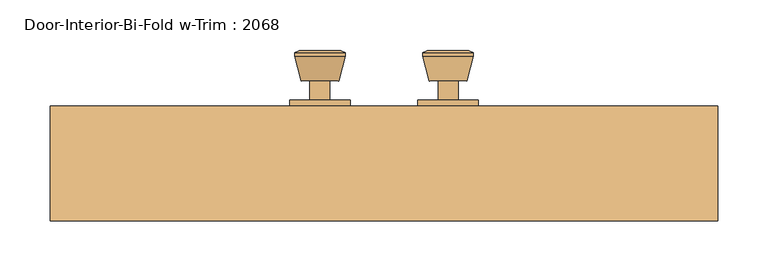
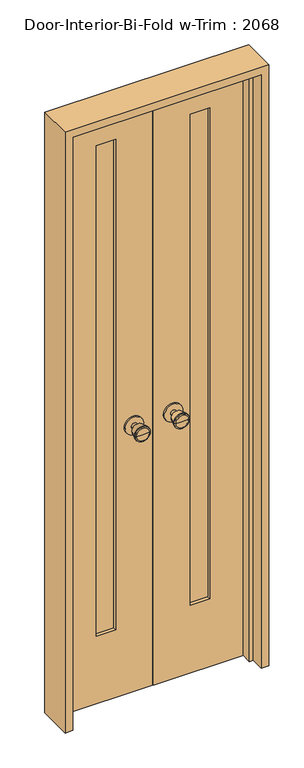
"""IFC4 building model written with IfcOpenShell, lengths in millimetres: door geometry, Door-Interior-Bi-Fold w-Trim : 2068."""

from ifc_helpers import new_model, si_unit, point, frame, frame_2d, origin, place, context, project, spatial, polyline, circle_curve, trimmed, segment, composite_curve, outline, extrude, faceted_brep, source, transform, mapped, element, save
from ifc_brep_helpers import plane_surface, cylinder_surface, revolved_surface, advanced_brep


def door_interior_bi_fold_w_trim_2068_fa734d8c(model_context):
    return source(origin(), model_context, "Body", "SolidModel", [
        advanced_brep(
        [(-63.5, 59.975, 914.4), (-73.5, 59.975, 914.4), (-53.5, 59.975, 914.4), (-83.9758676, 108.975, 914.4), (-63.5, 108.975, 914.4), (-43.0241324, 108.975, 914.4), (-88.5, 107.1471319, 914.4), (-38.5, 107.1471319, 914.4), (-88.5, 103.6834537, 914.4), (-38.5, 103.6834537, 914.4), (-82.136236, 78.975, 914.4), (-44.863764, 78.975, 914.4), (-73.5, 78.975, 914.4), (-53.5, 78.975, 914.4)],
        [
            (0, 1),
            (1, 2, circle_curve(frame((-63.5, 59.975, 914.4), z_axis=(0.0, -1.0, 0.0), x_axis=(1.0, 0.0, 0.0)), 10.0)),
            (2, 0),
            (2, 1, circle_curve(frame((-63.5, 59.975, 914.4), z_axis=(0.0, -1.0, 0.0), x_axis=(1.0, 0.0, 0.0)), 10.0)),
            (3, 4),
            (4, 5),
            (5, 3, circle_curve(frame((-63.5, 108.975, 914.4), z_axis=(0.0, 1.0, 0.0), x_axis=(1.0, 0.0, 0.0)), 20.4758676)),
            (3, 5, circle_curve(frame((-63.5, 108.975, 914.4), z_axis=(0.0, 1.0, 0.0), x_axis=(1.0, 0.0, 0.0)), 20.4758676)),
            (6, 3),
            (5, 7),
            (7, 6, circle_curve(frame((-63.5, 107.1471319, 914.4), z_axis=(0.0, 1.0, 0.0), x_axis=(1.0, 0.0, 0.0)), 25.0)),
            (6, 7, circle_curve(frame((-63.5, 107.1471319, 914.4), z_axis=(0.0, 1.0, 0.0), x_axis=(1.0, 0.0, 0.0)), 25.0)),
            (8, 6),
            (7, 9),
            (9, 8, circle_curve(frame((-63.5, 103.6834537, 914.4), z_axis=(0.0, 1.0, 0.0), x_axis=(1.0, 0.0, 0.0)), 25.0)),
            (8, 9, circle_curve(frame((-63.5, 103.6834537, 914.4), z_axis=(0.0, 1.0, 0.0), x_axis=(1.0, 0.0, 0.0)), 25.0)),
            (10, 8),
            (9, 11),
            (11, 10, circle_curve(frame((-63.5, 78.975, 914.4), z_axis=(0.0, 1.0, 0.0), x_axis=(1.0, 0.0, 0.0)), 18.636236)),
            (10, 11, circle_curve(frame((-63.5, 78.975, 914.4), z_axis=(0.0, 1.0, 0.0), x_axis=(1.0, 0.0, 0.0)), 18.636236)),
            (12, 10),
            (11, 13),
            (13, 12, circle_curve(frame((-63.5, 78.975, 914.4), z_axis=(0.0, 1.0, 0.0), x_axis=(1.0, 0.0, 0.0)), 10.0)),
            (12, 13, circle_curve(frame((-63.5, 78.975, 914.4), z_axis=(0.0, 1.0, 0.0), x_axis=(1.0, 0.0, 0.0)), 10.0)),
            (1, 12),
            (13, 2),
        ],
        [
            plane_surface(frame((-63.5, 59.975, 914.4), z_axis=(0.0, -1.0, 0.0), x_axis=(1.0, 0.0, 0.0))),
            plane_surface(frame((-63.5, 108.975, 914.4), z_axis=(0.0, 1.0, 0.0), x_axis=(1.0, 0.0, 0.0))),
            revolved_surface(polyline([(-43.0241324, 108.975, 914.4), (-38.5, 107.1471319, 914.4)]), (-63.5, 59.975, 914.4), (0.0, -1.0, 0.0)),
            cylinder_surface(frame((-63.5, 59.975, 914.4), z_axis=(0.0, -1.0, 0.0), x_axis=(1.0, 0.0, 0.0)), 25.0),
            revolved_surface(polyline([(-38.5, 103.6834537, 914.4), (-44.863764, 78.975, 914.4)]), (-63.5, 59.975, 914.4), (0.0, -1.0, 0.0)),
            plane_surface(frame((-63.5, 78.975, 914.4), z_axis=(0.0, -1.0, 0.0), x_axis=(1.0, 0.0, 0.0))),
            cylinder_surface(frame((-63.5, 59.975, 914.4), z_axis=(0.0, -1.0, 0.0), x_axis=(1.0, 0.0, 0.0)), 10.0),
        ],
        [
            (0, [[1, 2, 3]]),
            (0, [[-3, 4, -1]]),
            (1, [[5, 6, 7]]),
            (1, [[-6, -5, 8]]),
            (2, [[9, -7, 10, 11]]),
            (2, [[-10, -8, -9, 12]]),
            (3, [[13, -11, 14, 15]]),
            (3, [[-14, -12, -13, 16]]),
            (4, [[17, -15, 18, 19]]),
            (4, [[-18, -16, -17, 20]]),
            (5, [[21, -19, 22, 23]]),
            (5, [[-22, -20, -21, 24]]),
            (6, [[25, -23, 26, -2]]),
            (6, [[-26, -24, -25, -4]]),
        ],
    ),
        extrude(outline(composite_curve([segment(trimmed(circle_curve(frame_2d((914.4, -63.5)), 30.0), [point((914.4, -33.5))], [point((914.4, -93.5))], False, "CARTESIAN"), True, "CONTINUOUS"), segment(trimmed(circle_curve(frame_2d((914.4, -63.5)), 30.0), [point((914.4, -93.5))], [point((914.4, -33.5))], False, "CARTESIAN"), True, "CONTINUOUS")], self_intersect=False)), frame((0.0, 53.975, 0.0), z_axis=(0.0, 1.0, 0.0), x_axis=(0.0, 0.0, 1.0)), (0.0, 0.0, 1.0), 6.0),
        advanced_brep(
        [(-63.5, 13.05, 914.4), (-53.5, 13.05, 914.4), (-73.5, 13.05, 914.4), (-83.9758676, -35.95, 914.4), (-43.0241324, -35.95, 914.4), (-63.5, -35.95, 914.4), (-88.5, -34.1221319, 914.4), (-38.5, -34.1221319, 914.4), (-88.5, -30.6584537, 914.4), (-38.5, -30.6584537, 914.4), (-82.136236, -5.95, 914.4), (-44.863764, -5.95, 914.4), (-73.5, -5.95, 914.4), (-53.5, -5.95, 914.4)],
        [
            (0, 1),
            (1, 2, circle_curve(frame((-63.5, 13.05, 914.4), z_axis=(0.0, 1.0, 0.0), x_axis=(1.0, 0.0, 0.0)), 10.0)),
            (2, 0),
            (2, 1, circle_curve(frame((-63.5, 13.05, 914.4), z_axis=(0.0, 1.0, 0.0), x_axis=(1.0, 0.0, 0.0)), 10.0)),
            (3, 4, circle_curve(frame((-63.5, -35.95, 914.4), z_axis=(0.0, -1.0, 0.0), x_axis=(1.0, 0.0, 0.0)), 20.4758676)),
            (4, 5),
            (5, 3),
            (4, 3, circle_curve(frame((-63.5, -35.95, 914.4), z_axis=(0.0, -1.0, 0.0), x_axis=(1.0, 0.0, 0.0)), 20.4758676)),
            (6, 7, circle_curve(frame((-63.5, -34.1221319, 914.4), z_axis=(0.0, -1.0, 0.0), x_axis=(1.0, 0.0, 0.0)), 25.0)),
            (7, 4),
            (3, 6),
            (7, 6, circle_curve(frame((-63.5, -34.1221319, 914.4), z_axis=(0.0, -1.0, 0.0), x_axis=(1.0, 0.0, 0.0)), 25.0)),
            (8, 9, circle_curve(frame((-63.5, -30.6584537, 914.4), z_axis=(0.0, -1.0, 0.0), x_axis=(1.0, 0.0, 0.0)), 25.0)),
            (9, 7),
            (6, 8),
            (9, 8, circle_curve(frame((-63.5, -30.6584537, 914.4), z_axis=(0.0, -1.0, 0.0), x_axis=(1.0, 0.0, 0.0)), 25.0)),
            (10, 11, circle_curve(frame((-63.5, -5.95, 914.4), z_axis=(0.0, -1.0, 0.0), x_axis=(1.0, 0.0, 0.0)), 18.636236)),
            (11, 9),
            (8, 10),
            (11, 10, circle_curve(frame((-63.5, -5.95, 914.4), z_axis=(0.0, -1.0, 0.0), x_axis=(1.0, 0.0, 0.0)), 18.636236)),
            (12, 13, circle_curve(frame((-63.5, -5.95, 914.4), z_axis=(0.0, -1.0, 0.0), x_axis=(1.0, 0.0, 0.0)), 10.0)),
            (13, 11),
            (10, 12),
            (13, 12, circle_curve(frame((-63.5, -5.95, 914.4), z_axis=(0.0, -1.0, 0.0), x_axis=(1.0, 0.0, 0.0)), 10.0)),
            (1, 13),
            (12, 2),
        ],
        [
            plane_surface(frame((-63.5, 13.05, 914.4), z_axis=(0.0, 1.0, 0.0), x_axis=(1.0, 0.0, 0.0))),
            plane_surface(frame((-63.5, -35.95, 914.4), z_axis=(0.0, -1.0, 0.0), x_axis=(1.0, 0.0, 0.0))),
            revolved_surface(polyline([(-43.0241324, -35.95, 914.4), (-38.5, -34.1221319, 914.4)]), (-63.5, 13.05, 914.4), (0.0, 1.0, 0.0)),
            cylinder_surface(frame((-63.5, 13.05, 914.4), z_axis=(0.0, 1.0, 0.0), x_axis=(1.0, 0.0, 0.0)), 25.0),
            revolved_surface(polyline([(-38.5, -30.6584537, 914.4), (-44.863764, -5.95, 914.4)]), (-63.5, 13.05, 914.4), (0.0, 1.0, 0.0)),
            plane_surface(frame((-63.5, -5.95, 914.4), z_axis=(0.0, 1.0, 0.0), x_axis=(1.0, 0.0, 0.0))),
            cylinder_surface(frame((-63.5, 13.05, 914.4), z_axis=(0.0, 1.0, 0.0), x_axis=(1.0, 0.0, 0.0)), 10.0),
        ],
        [
            (0, [[1, 2, 3]]),
            (0, [[-3, 4, -1]]),
            (1, [[5, 6, 7]]),
            (1, [[8, -7, -6]]),
            (2, [[9, 10, -5, 11]]),
            (2, [[12, -11, -8, -10]]),
            (3, [[13, 14, -9, 15]]),
            (3, [[16, -15, -12, -14]]),
            (4, [[17, 18, -13, 19]]),
            (4, [[20, -19, -16, -18]]),
            (5, [[21, 22, -17, 23]]),
            (5, [[24, -23, -20, -22]]),
            (6, [[-2, 25, -21, 26]]),
            (6, [[-4, -26, -24, -25]]),
        ],
    ),
        extrude(outline(composite_curve([segment(trimmed(circle_curve(frame_2d((914.4, -63.5)), 30.0), [point((914.4, -33.5))], [point((914.4, -93.5))], False, "CARTESIAN"), True, "CONTINUOUS"), segment(trimmed(circle_curve(frame_2d((914.4, -63.5)), 30.0), [point((914.4, -93.5))], [point((914.4, -33.5))], False, "CARTESIAN"), True, "CONTINUOUS")], self_intersect=False)), frame((0.0, 13.05, 0.0), z_axis=(0.0, 1.0, 0.0), x_axis=(0.0, 0.0, 1.0)), (0.0, 0.0, 1.0), 6.0),
        advanced_brep(
        [(63.5, 13.05, 914.4), (73.5, 13.05, 914.4), (53.5, 13.05, 914.4), (83.9758676, -35.95, 914.4), (63.5, -35.95, 914.4), (43.0241324, -35.95, 914.4), (88.5, -34.1221319, 914.4), (38.5, -34.1221319, 914.4), (88.5, -30.6584537, 914.4), (38.5, -30.6584537, 914.4), (82.136236, -5.95, 914.4), (44.863764, -5.95, 914.4), (73.5, -5.95, 914.4), (53.5, -5.95, 914.4)],
        [
            (0, 1),
            (1, 2, circle_curve(frame((63.5, 13.05, 914.4), z_axis=(0.0, 1.0, 0.0), x_axis=(-1.0, 0.0, 0.0)), 10.0)),
            (2, 0),
            (2, 1, circle_curve(frame((63.5, 13.05, 914.4), z_axis=(0.0, 1.0, 0.0), x_axis=(-1.0, 0.0, 0.0)), 10.0)),
            (3, 4),
            (4, 5),
            (5, 3, circle_curve(frame((63.5, -35.95, 914.4), z_axis=(0.0, -1.0, 0.0), x_axis=(-1.0, 0.0, 0.0)), 20.4758676)),
            (3, 5, circle_curve(frame((63.5, -35.95, 914.4), z_axis=(0.0, -1.0, 0.0), x_axis=(-1.0, 0.0, 0.0)), 20.4758676)),
            (6, 3),
            (5, 7),
            (7, 6, circle_curve(frame((63.5, -34.1221319, 914.4), z_axis=(0.0, -1.0, 0.0), x_axis=(-1.0, 0.0, 0.0)), 25.0)),
            (6, 7, circle_curve(frame((63.5, -34.1221319, 914.4), z_axis=(0.0, -1.0, 0.0), x_axis=(-1.0, 0.0, 0.0)), 25.0)),
            (8, 6),
            (7, 9),
            (9, 8, circle_curve(frame((63.5, -30.6584537, 914.4), z_axis=(0.0, -1.0, 0.0), x_axis=(-1.0, 0.0, 0.0)), 25.0)),
            (8, 9, circle_curve(frame((63.5, -30.6584537, 914.4), z_axis=(0.0, -1.0, 0.0), x_axis=(-1.0, 0.0, 0.0)), 25.0)),
            (10, 8),
            (9, 11),
            (11, 10, circle_curve(frame((63.5, -5.95, 914.4), z_axis=(0.0, -1.0, 0.0), x_axis=(-1.0, 0.0, 0.0)), 18.636236)),
            (10, 11, circle_curve(frame((63.5, -5.95, 914.4), z_axis=(0.0, -1.0, 0.0), x_axis=(-1.0, 0.0, 0.0)), 18.636236)),
            (12, 10),
            (11, 13),
            (13, 12, circle_curve(frame((63.5, -5.95, 914.4), z_axis=(0.0, -1.0, 0.0), x_axis=(-1.0, 0.0, 0.0)), 10.0)),
            (12, 13, circle_curve(frame((63.5, -5.95, 914.4), z_axis=(0.0, -1.0, 0.0), x_axis=(-1.0, 0.0, 0.0)), 10.0)),
            (1, 12),
            (13, 2),
        ],
        [
            plane_surface(frame((63.5, 13.05, 914.4), z_axis=(0.0, 1.0, 0.0), x_axis=(-1.0, 0.0, 0.0))),
            plane_surface(frame((63.5, -35.95, 914.4), z_axis=(0.0, -1.0, 0.0), x_axis=(-1.0, 0.0, 0.0))),
            revolved_surface(polyline([(43.0241324, -35.95, 914.4), (38.5, -34.1221319, 914.4)]), (63.5, 13.05, 914.4), (0.0, 1.0, 0.0)),
            cylinder_surface(frame((63.5, 13.05, 914.4), z_axis=(0.0, 1.0, 0.0), x_axis=(-1.0, 0.0, 0.0)), 25.0),
            revolved_surface(polyline([(38.5, -30.6584537, 914.4), (44.863764, -5.95, 914.4)]), (63.5, 13.05, 914.4), (0.0, 1.0, 0.0)),
            plane_surface(frame((63.5, -5.95, 914.4), z_axis=(0.0, 1.0, 0.0), x_axis=(-1.0, 0.0, 0.0))),
            cylinder_surface(frame((63.5, 13.05, 914.4), z_axis=(0.0, 1.0, 0.0), x_axis=(-1.0, 0.0, 0.0)), 10.0),
        ],
        [
            (0, [[1, 2, 3]]),
            (0, [[-3, 4, -1]]),
            (1, [[5, 6, 7]]),
            (1, [[-6, -5, 8]]),
            (2, [[9, -7, 10, 11]]),
            (2, [[-10, -8, -9, 12]]),
            (3, [[13, -11, 14, 15]]),
            (3, [[-14, -12, -13, 16]]),
            (4, [[17, -15, 18, 19]]),
            (4, [[-18, -16, -17, 20]]),
            (5, [[21, -19, 22, 23]]),
            (5, [[-22, -20, -21, 24]]),
            (6, [[25, -23, 26, -2]]),
            (6, [[-26, -24, -25, -4]]),
        ],
    ),
        extrude(outline(composite_curve([segment(trimmed(circle_curve(frame_2d((914.4, 63.5)), 30.0), [point((914.4, 33.5))], [point((914.4, 93.5))], False, "CARTESIAN"), True, "CONTINUOUS"), segment(trimmed(circle_curve(frame_2d((914.4, 63.5)), 30.0), [point((914.4, 93.5))], [point((914.4, 33.5))], False, "CARTESIAN"), True, "CONTINUOUS")], self_intersect=False)), frame((0.0, 13.05, 0.0), z_axis=(0.0, 1.0, 0.0), x_axis=(0.0, 0.0, 1.0)), (0.0, 0.0, 1.0), 6.0),
        advanced_brep(
        [(63.5, 59.975, 914.4), (53.5, 59.975, 914.4), (73.5, 59.975, 914.4), (83.9758676, 108.975, 914.4), (43.0241324, 108.975, 914.4), (63.5, 108.975, 914.4), (88.5, 107.1471319, 914.4), (38.5, 107.1471319, 914.4), (88.5, 103.6834537, 914.4), (38.5, 103.6834537, 914.4), (82.136236, 78.975, 914.4), (44.863764, 78.975, 914.4), (73.5, 78.975, 914.4), (53.5, 78.975, 914.4)],
        [
            (0, 1),
            (1, 2, circle_curve(frame((63.5, 59.975, 914.4), z_axis=(0.0, -1.0, 0.0), x_axis=(-1.0, 0.0, 0.0)), 10.0)),
            (2, 0),
            (2, 1, circle_curve(frame((63.5, 59.975, 914.4), z_axis=(0.0, -1.0, 0.0), x_axis=(-1.0, 0.0, 0.0)), 10.0)),
            (3, 4, circle_curve(frame((63.5, 108.975, 914.4), z_axis=(0.0, 1.0, 0.0), x_axis=(-1.0, 0.0, 0.0)), 20.4758676)),
            (4, 5),
            (5, 3),
            (4, 3, circle_curve(frame((63.5, 108.975, 914.4), z_axis=(0.0, 1.0, 0.0), x_axis=(-1.0, 0.0, 0.0)), 20.4758676)),
            (6, 7, circle_curve(frame((63.5, 107.1471319, 914.4), z_axis=(0.0, 1.0, 0.0), x_axis=(-1.0, 0.0, 0.0)), 25.0)),
            (7, 4),
            (3, 6),
            (7, 6, circle_curve(frame((63.5, 107.1471319, 914.4), z_axis=(0.0, 1.0, 0.0), x_axis=(-1.0, 0.0, 0.0)), 25.0)),
            (8, 9, circle_curve(frame((63.5, 103.6834537, 914.4), z_axis=(0.0, 1.0, 0.0), x_axis=(-1.0, 0.0, 0.0)), 25.0)),
            (9, 7),
            (6, 8),
            (9, 8, circle_curve(frame((63.5, 103.6834537, 914.4), z_axis=(0.0, 1.0, 0.0), x_axis=(-1.0, 0.0, 0.0)), 25.0)),
            (10, 11, circle_curve(frame((63.5, 78.975, 914.4), z_axis=(0.0, 1.0, 0.0), x_axis=(-1.0, 0.0, 0.0)), 18.636236)),
            (11, 9),
            (8, 10),
            (11, 10, circle_curve(frame((63.5, 78.975, 914.4), z_axis=(0.0, 1.0, 0.0), x_axis=(-1.0, 0.0, 0.0)), 18.636236)),
            (12, 13, circle_curve(frame((63.5, 78.975, 914.4), z_axis=(0.0, 1.0, 0.0), x_axis=(-1.0, 0.0, 0.0)), 10.0)),
            (13, 11),
            (10, 12),
            (13, 12, circle_curve(frame((63.5, 78.975, 914.4), z_axis=(0.0, 1.0, 0.0), x_axis=(-1.0, 0.0, 0.0)), 10.0)),
            (1, 13),
            (12, 2),
        ],
        [
            plane_surface(frame((63.5, 59.975, 914.4), z_axis=(0.0, -1.0, 0.0), x_axis=(-1.0, 0.0, 0.0))),
            plane_surface(frame((63.5, 108.975, 914.4), z_axis=(0.0, 1.0, 0.0), x_axis=(-1.0, 0.0, 0.0))),
            revolved_surface(polyline([(43.0241324, 108.975, 914.4), (38.5, 107.1471319, 914.4)]), (63.5, 59.975, 914.4), (0.0, -1.0, 0.0)),
            cylinder_surface(frame((63.5, 59.975, 914.4), z_axis=(0.0, -1.0, 0.0), x_axis=(-1.0, 0.0, 0.0)), 25.0),
            revolved_surface(polyline([(38.5, 103.6834537, 914.4), (44.863764, 78.975, 914.4)]), (63.5, 59.975, 914.4), (0.0, -1.0, 0.0)),
            plane_surface(frame((63.5, 78.975, 914.4), z_axis=(0.0, -1.0, 0.0), x_axis=(-1.0, 0.0, 0.0))),
            cylinder_surface(frame((63.5, 59.975, 914.4), z_axis=(0.0, -1.0, 0.0), x_axis=(-1.0, 0.0, 0.0)), 10.0),
        ],
        [
            (0, [[1, 2, 3]]),
            (0, [[-3, 4, -1]]),
            (1, [[5, 6, 7]]),
            (1, [[8, -7, -6]]),
            (2, [[9, 10, -5, 11]]),
            (2, [[12, -11, -8, -10]]),
            (3, [[13, 14, -9, 15]]),
            (3, [[16, -15, -12, -14]]),
            (4, [[17, 18, -13, 19]]),
            (4, [[20, -19, -16, -18]]),
            (5, [[21, 22, -17, 23]]),
            (5, [[24, -23, -20, -22]]),
            (6, [[-2, 25, -21, 26]]),
            (6, [[-4, -26, -24, -25]]),
        ],
    ),
        extrude(outline(composite_curve([segment(trimmed(circle_curve(frame_2d((914.4, 63.5)), 30.0), [point((914.4, 33.5))], [point((914.4, 93.5))], False, "CARTESIAN"), True, "CONTINUOUS"), segment(trimmed(circle_curve(frame_2d((914.4, 63.5)), 30.0), [point((914.4, 93.5))], [point((914.4, 33.5))], False, "CARTESIAN"), True, "CONTINUOUS")], self_intersect=False)), frame((0.0, 53.975, 0.0), z_axis=(0.0, 1.0, 0.0), x_axis=(0.0, 0.0, 1.0)), (0.0, 0.0, 1.0), 6.0),
        extrude(outline(polyline([(304.8, 30.1625), (-304.8, 30.1625), (-304.8, 42.8625), (304.8, 42.8625), (304.8, 30.1625)])), frame((0.0, 0.0, 231.775), z_axis=(0.0, 0.0, 1.0), x_axis=(1.0, 0.0, 0.0)), (0.0, 0.0, 1.0), 1681.1625),
        extrude(outline(polyline([(2032.0, -304.8), (0.0, -304.8), (0.0, -1.6019111), (2032.0, -1.6019111), (2032.0, -304.8)]), holes=[polyline([(1912.9375, -120.65), (231.775, -120.65), (231.775, -184.15), (1912.9375, -184.15), (1912.9375, -120.65)])]), frame((0.0, 19.05, 0.0), z_axis=(0.0, 1.0, 0.0), x_axis=(0.0, 0.0, 1.0)), (0.0, 0.0, 1.0), 34.925),
        extrude(outline(polyline([(0.0, 304.8), (2032.0, 304.8), (2032.0, 1.5875), (0.0, 1.5875), (0.0, 304.8)]), holes=[polyline([(1912.9375, 120.65), (1912.9375, 184.15), (231.775, 184.15), (231.775, 120.65), (1912.9375, 120.65)])]), frame((0.0, 19.05, 0.0), z_axis=(0.0, 1.0, 0.0), x_axis=(0.0, 0.0, 1.0)), (0.0, 0.0, 1.0), 34.925),
        faceted_brep([(330.2, 53.975, 0.0), (330.2, -60.325, 0.0), (304.8, -60.325, 0.0), (304.8, -15.875, 0.0), (292.1, -15.875, 0.0), (292.1, 19.05, 0.0), (304.8, 19.05, 0.0), (304.8, 53.975, 0.0), (330.2, 53.975, 2057.4), (330.2, -60.325, 2057.4), (-330.2, -60.325, 2057.4), (-330.2, -60.325, 0.0), (-304.8, -60.325, 0.0), (-304.8, -60.325, 2032.0), (304.8, -60.325, 2032.0), (304.8, -15.875, 2032.0), (-304.8, -15.875, 2032.0), (-304.8, -15.875, 0.0), (-292.1, -15.875, 0.0), (-292.1, -15.875, 2019.3), (292.1, -15.875, 2019.3), (292.1, 19.05, 2019.3), (1.5875, 19.05, 2019.3), (-1.6019111, 19.05, 2019.3), (-292.1, 19.05, 2019.3), (-292.1, 19.05, 0.0), (-304.8, 19.05, 0.0), (-304.8, 19.05, 2032.0), (-1.6019111, 19.05, 2032.0), (1.5875, 19.05, 2032.0), (304.8, 19.05, 2032.0), (304.8, 53.975, 2032.0), (1.5875, 53.975, 2032.0), (-1.6019111, 53.975, 2032.0), (-304.8, 53.975, 2032.0), (-304.8, 53.975, 0.0), (-330.2, 53.975, 0.0), (-330.2, 53.975, 2057.4)], [[[0, 1, 2, 3, 4, 5, 6, 7]], [[1, 0, 8, 9]], [[2, 1, 9, 10, 11, 12, 13, 14]], [[3, 2, 14, 15]], [[4, 3, 15, 16, 17, 18, 19, 20]], [[5, 4, 20, 21]], [[6, 5, 21, 22, 23, 24, 25, 26, 27, 28, 29, 30]], [[7, 6, 30, 31]], [[0, 7, 31, 32, 33, 34, 35, 36, 37, 8]], [[9, 8, 37, 10]], [[14, 13, 16, 15]], [[20, 19, 24, 23, 22, 21]], [[31, 30, 29, 28, 27, 34, 33, 32]], [[12, 11, 36, 35, 26, 25, 18, 17]], [[11, 10, 37, 36]], [[13, 12, 17, 16]], [[19, 18, 25, 24]], [[27, 26, 35, 34]]]),
    ])


if __name__ == "__main__":
    model = new_model("IFC4")
    model_context = context("Model", 3, world=origin())
    ifc_project = project(units=[si_unit("LENGTHUNIT", "METRE", prefix="MILLI")], contexts=[model_context])
    site = spatial("IfcSite", under=ifc_project)
    building = spatial("IfcBuilding", under=site)
    placement = place(None, origin())
    door_interior_bi_fold_w_trim_2068_shape = door_interior_bi_fold_w_trim_2068_fa734d8c(model_context)
    element("IfcDoor", 1, ObjectType="Door-Interior-Bi-Fold w-Trim : 2068", at=placement, inside=building, context=model_context, shape_type="MappedRepresentation", body=[
        mapped(door_interior_bi_fold_w_trim_2068_shape, transform((0.0, 0.0, 0.0), x_axis=(1.0, 0.0, 0.0), y_axis=(0.0, 1.0, 0.0), z_axis=(0.0, 0.0, 1.0))),
    ])
    save(model, "model.ifc")
